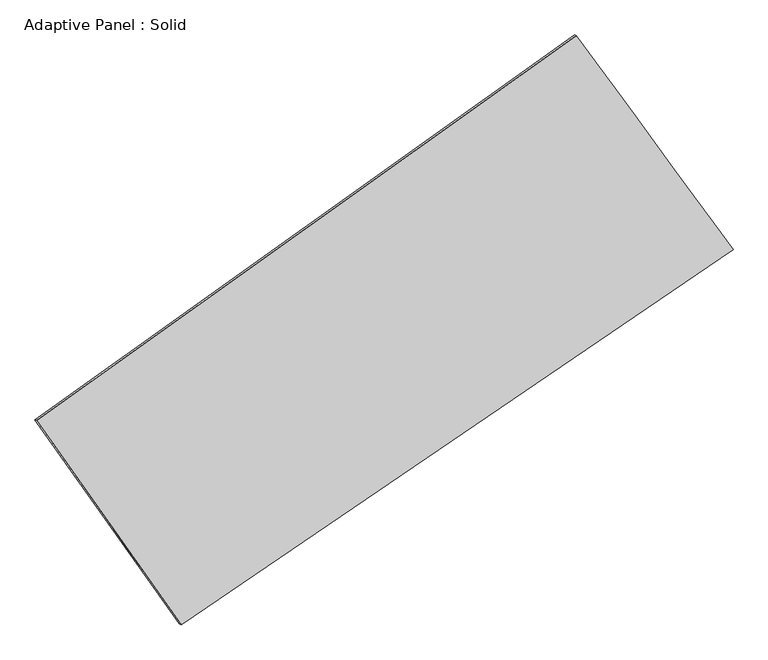
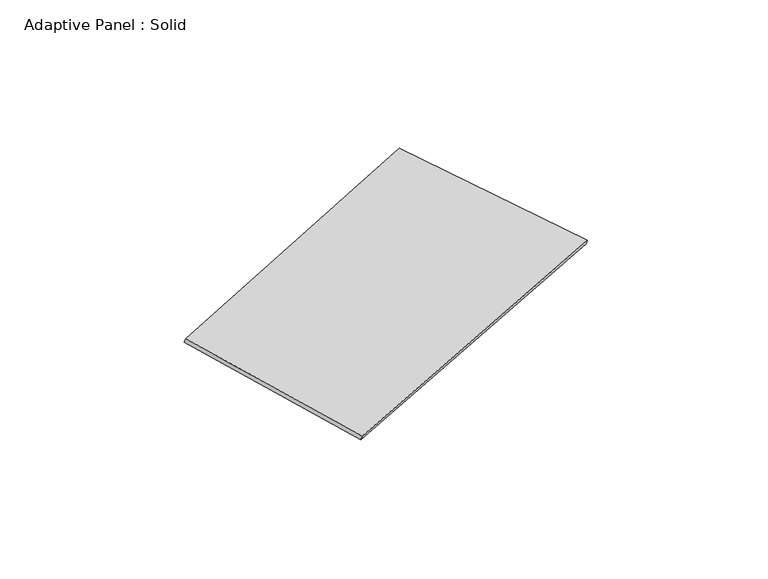
"""IFC4 building model written with IfcOpenShell, lengths in millimetres: plate geometry, Adaptive Panel : Solid."""

from ifc_helpers import new_model, si_unit, frame, origin, place, context, project, spatial, source, transform, mapped, element, save
from ifc_brep_helpers import plane_surface, spline_surface, advanced_brep


def adaptive_panel_solid_51cacf51(model_context):
    return source(origin(), model_context, "Body", "AdvancedBrep", [
        advanced_brep(
        [(1057.8223964, 2509.7447958, 660.5861535), (-3682.2293422, -872.6440868, 1740.3792907), (-3667.5629863, -879.0241803, 1787.7521987), (1072.4887522, 2503.3647024, 707.9590615), (-2412.6935025, -2666.5286298, 1036.5394975), (-2398.0271467, -2672.9087233, 1083.9124055), (2433.8098702, 629.179348, 47.6175785), (2448.476226, 622.7992545, 94.9904865)],
        [
            (0, 1),
            (1, 2),
            (2, 3),
            (3, 0),
            (1, 4),
            (4, 5),
            (5, 2),
            (4, 6),
            (6, 7),
            (7, 5),
            (6, 0),
            (3, 7),
        ],
        [
            plane_surface(frame((-1312.2034729, 818.5503545, 1200.4827221), z_axis=(-0.5178776704434764, 0.811838404657921, 0.26966854317572886), x_axis=(-0.8003624950835982, -0.5711197587587779, 0.18232415533568938))),
            plane_surface(frame((-3047.4614224, -1769.5863583, 1388.4593941), z_axis=(-0.7757605813377434, -0.6109556566244747, 0.1578882708787567), x_axis=(0.5501482268529865, -0.7773726189747056, -0.3050061306907165))),
            plane_surface(frame((10.5581838, -1018.6746409, 542.078538), z_axis=(0.5041476665264687, -0.82140310033841, -0.266705974980623), x_axis=(0.8153938677050061, 0.5544822458948613, -0.16637992516064432))),
            plane_surface(frame((1745.8161333, 1569.4620719, 354.101866), z_axis=(0.7722017568733768, 0.6158983183085532, -0.15612081279050147), x_axis=(-0.5710721551126838, 0.7804857119964456, 0.254398598707533))),
            spline_surface(1, 1, [[(-3667.5629863, -879.0241803, 1787.7521987), (1072.4887522, 2503.3647024, 707.9590615)], [(-2398.0271467, -2672.9087233, 1083.9124055), (2448.476226, 622.7992545, 94.9904865)]], [2, 2], [2, 2], [0.0, 1.0], [0.0, 1.0]),
            spline_surface(1, 1, [[(2433.8098702, 629.179348, 47.6175785), (1057.8223964, 2509.7447958, 660.5861535)], [(-2412.6935025, -2666.5286298, 1036.5394975), (-3682.2293422, -872.6440868, 1740.3792907)]], [2, 2], [2, 2], [0.0, 1.0], [0.0, 1.0]),
        ],
        [
            (0, [[1, 2, 3, 4]]),
            (1, [[5, 6, 7, -2]]),
            (2, [[8, 9, 10, -6]]),
            (3, [[11, -4, 12, -9]]),
            (4, [[-3, -7, -10, -12]]),
            (5, [[-11, -8, -5, -1]]),
        ],
    ),
    ])


if __name__ == "__main__":
    model = new_model("IFC4")
    model_context = context("Model", 3, world=origin())
    ifc_project = project(units=[si_unit("LENGTHUNIT", "METRE", prefix="MILLI")], contexts=[model_context])
    site = spatial("IfcSite", under=ifc_project)
    building = spatial("IfcBuilding", under=site)
    placement = place(None, origin())
    adaptive_panel_solid_shape = adaptive_panel_solid_51cacf51(model_context)
    element("IfcPlate", 1, ObjectType="Adaptive Panel : Solid", at=placement, inside=building, context=model_context, shape_type="MappedRepresentation", body=[
        mapped(adaptive_panel_solid_shape, transform((0.0, 0.0, 0.0), x_axis=(1.0, 0.0, 0.0), y_axis=(0.0, 1.0, 0.0), z_axis=(0.0, 0.0, 1.0))),
    ])
    save(model, "model.ifc")
